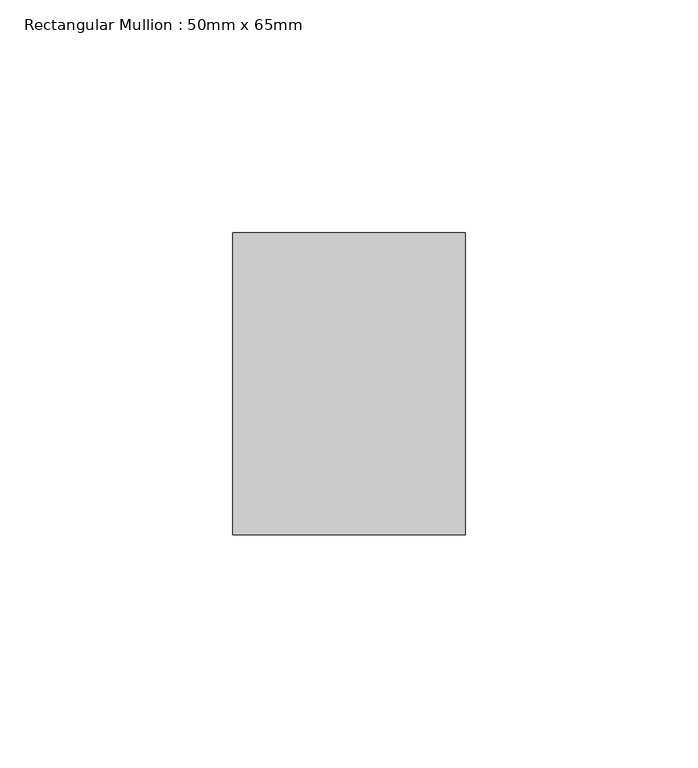
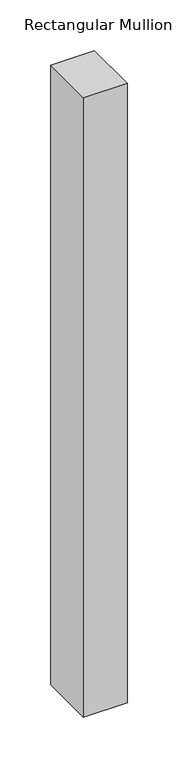
"""IFC4 building model written with IfcOpenShell, lengths in millimetres: member geometry, Rectangular Mullion : 50mm x 65mm."""

from ifc_helpers import new_model, si_unit, frame, origin, place, context, project, spatial, polyline, outline, extrude, source, transform, mapped, element, save


def rectangular_mullion_50mm_x_65mm_0e5c877a(model_context):
    return source(origin(), model_context, "Body", "SweptSolid", [
        extrude(outline(polyline([(25.0, 32.5), (25.0, -32.5), (-25.0, -32.5), (-25.0, 32.5), (25.0, 32.5)])), frame((0.0, 0.0, -748.3576817), z_axis=(0.0, 0.0, 1.0), x_axis=(1.0, 0.0, 0.0)), (0.0, 0.0, 1.0), 748.3576817),
    ])


if __name__ == "__main__":
    model = new_model("IFC4")
    model_context = context("Model", 3, world=origin())
    ifc_project = project(units=[si_unit("LENGTHUNIT", "METRE", prefix="MILLI")], contexts=[model_context])
    site = spatial("IfcSite", under=ifc_project)
    building = spatial("IfcBuilding", under=site)
    placement = place(None, origin())
    rectangular_mullion_50mm_x_65mm_shape = rectangular_mullion_50mm_x_65mm_0e5c877a(model_context)
    element("IfcMember", 1, ObjectType="Rectangular Mullion : 50mm x 65mm", at=placement, inside=building, context=model_context, shape_type="MappedRepresentation", body=[
        mapped(rectangular_mullion_50mm_x_65mm_shape, transform((0.0, 0.0, 0.0), x_axis=(1.0, 0.0, 0.0), y_axis=(0.0, 1.0, 0.0), z_axis=(0.0, 0.0, 1.0))),
    ])
    save(model, "model.ifc")
